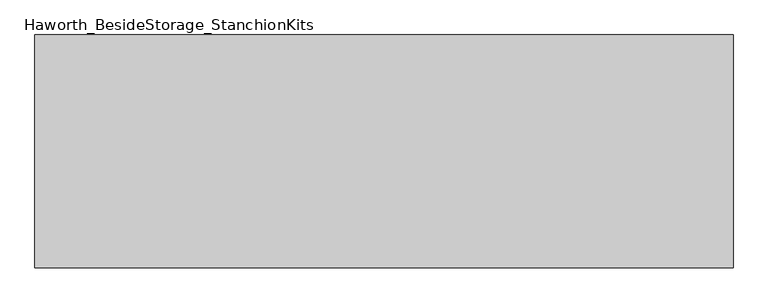
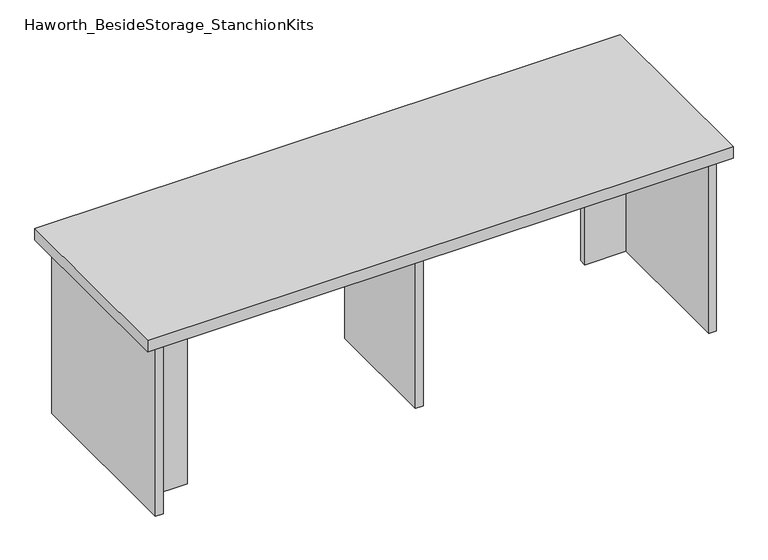
"""IFC4 building model written with IfcOpenShell, lengths in millimetres: furniture geometry, Haworth_BesideStorage_StanchionKits."""

from ifc_helpers import new_model, si_unit, frame, origin, place, context, project, spatial, polyline, outline, extrude, source, transform, mapped, element, save


def haworth_besidestorage_stanchionkits_d77ab48f(model_context):
    return source(origin(), model_context, "Body", "SweptSolid", [
        extrude(outline(polyline([(771.525, 0.0), (771.525, -406.4), (-447.675, -406.4), (-447.675, 0.0), (771.525, 0.0)])), frame((0.0, 0.0, 812.8), z_axis=(0.0, 0.0, 1.0), x_axis=(1.0, 0.0, 0.0)), (0.0, 0.0, 1.0), 25.4),
        extrude(outline(polyline([(644.525, -76.2), (730.25, -76.2), (730.25, -92.075), (644.525, -92.075), (644.525, -76.2)])), frame((0.0, 0.0, 431.8), z_axis=(0.0, 0.0, 1.0), x_axis=(1.0, 0.0, 0.0)), (0.0, 0.0, 1.0), 381.0),
        extrude(outline(polyline([(-320.675, -314.325), (-320.675, -330.2), (-406.4, -330.2), (-406.4, -314.325), (-320.675, -314.325)])), frame((0.0, 0.0, 431.8), z_axis=(0.0, 0.0, 1.0), x_axis=(1.0, 0.0, 0.0)), (0.0, 0.0, 1.0), 381.0),
        extrude(outline(polyline([(169.8625, -330.2), (153.9875, -330.2), (153.9875, -76.2), (169.8625, -76.2), (169.8625, -330.2)])), frame((0.0, 0.0, 431.8), z_axis=(0.0, 0.0, 1.0), x_axis=(1.0, 0.0, 0.0)), (0.0, 0.0, 1.0), 381.0),
        extrude(outline(polyline([(746.125, -390.525), (730.25, -390.525), (730.25, -15.875), (746.125, -15.875), (746.125, -390.525)])), frame((0.0, 0.0, 431.8), z_axis=(0.0, 0.0, 1.0), x_axis=(1.0, 0.0, 0.0)), (0.0, 0.0, 1.0), 381.0),
        extrude(outline(polyline([(-406.4, -390.525), (-422.275, -390.525), (-422.275, -15.875), (-406.4, -15.875), (-406.4, -390.525)])), frame((0.0, 0.0, 431.8), z_axis=(0.0, 0.0, 1.0), x_axis=(1.0, 0.0, 0.0)), (0.0, 0.0, 1.0), 381.0),
    ])


if __name__ == "__main__":
    model = new_model("IFC4")
    model_context = context("Model", 3, world=origin())
    ifc_project = project(units=[si_unit("LENGTHUNIT", "METRE", prefix="MILLI")], contexts=[model_context])
    site = spatial("IfcSite", under=ifc_project)
    building = spatial("IfcBuilding", under=site)
    placement = place(None, origin())
    haworth_besidestorage_stanchionkits_shape = haworth_besidestorage_stanchionkits_d77ab48f(model_context)
    element("IfcFurniture", 1, ObjectType="Haworth_BesideStorage_StanchionKits", at=placement, inside=building, context=model_context, shape_type="MappedRepresentation", body=[
        mapped(haworth_besidestorage_stanchionkits_shape, transform((0.0, 0.0, 0.0), x_axis=(1.0, 0.0, 0.0), y_axis=(0.0, 1.0, 0.0), z_axis=(0.0, 0.0, 1.0))),
    ])
    save(model, "model.ifc")
